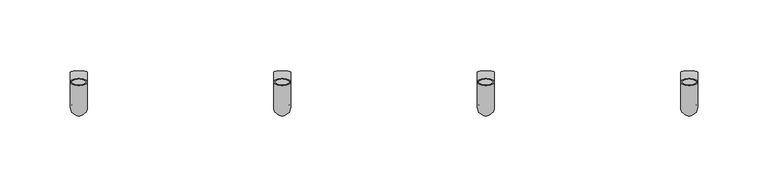
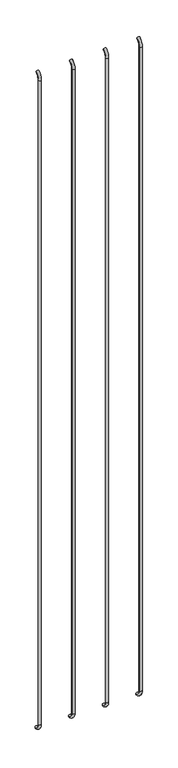
"""IFC4 building model written with IfcOpenShell, lengths in millimetres: beam geometry."""

from ifc_helpers import new_model, si_unit, point, frame, origin, place, context, project, spatial, polyline, circle_curve, ellipse_curve, trimmed, source, transform, mapped, element, save
from ifc_brep_helpers import plane_surface, cylinder_surface, revolved_surface, advanced_brep


def beam_ce332a73(model_context):
    return source(origin(), model_context, "Body", "AdvancedBrep", [
        advanced_brep(
        [(1286.6811733, 2382.8165412, 2977.1908893), (1274.6811733, 2382.8165412, 2977.1908893), (1285.6811733, 2382.8165412, 2977.1908893), (1275.6811733, 2382.8165412, 2977.1908893), (1285.6811733, 2364.7399243, 2949.6621238), (1275.6811733, 2364.7399243, 2949.6621238), (1286.6811733, 2364.7399243, 2949.6621238), (1274.6811733, 2364.7399243, 2949.6621238), (1275.6811733, 2364.7399243, 30.7084898), (1285.6811733, 2364.7399243, 30.7084898), (1274.6811733, 2364.7399243, 30.7084898), (1286.6811733, 2364.7399243, 30.7084898), (1286.6811733, 2390.3595004, 1.0300146), (1274.6811733, 2390.3595004, 1.0300146), (1285.6811733, 2390.3595004, 1.0300146), (1275.6811733, 2390.3595004, 1.0300146)],
        [
            (0, 1, circle_curve(frame((1280.6811733, 2382.8165412, 2977.1908893), z_axis=(0.0, 0.9176255197351176, 0.3974461039321624), x_axis=(-1.0, 0.0, 0.0)), 6.0)),
            (1, 0, circle_curve(frame((1280.6811733, 2382.8165412, 2977.1908893), z_axis=(0.0, 0.9176255197351176, 0.3974461039321624), x_axis=(-1.0, 0.0, 0.0)), 6.0)),
            (2, 3, circle_curve(frame((1280.6811733, 2382.8165412, 2977.1908893), z_axis=(0.0, -0.9176255197351176, -0.3974461039321624), x_axis=(-1.0, 0.0, 0.0)), 5.0)),
            (3, 2, circle_curve(frame((1280.6811733, 2382.8165412, 2977.1908893), z_axis=(0.0, -0.9176255197351176, -0.3974461039321624), x_axis=(-1.0, 0.0, 0.0)), 5.0)),
            (4, 2, circle_curve(frame((1285.6811733, 2394.7399243, 2949.6621238), z_axis=(-1.0, 0.0, 0.0), x_axis=(0.0, -0.3974461039321624, 0.9176255197351176)), 30.0)),
            (3, 5, circle_curve(frame((1275.6811733, 2394.7399243, 2949.6621238), z_axis=(1.0, 0.0, 0.0), x_axis=(0.0, -0.3974461039321624, 0.9176255197351176)), 30.0)),
            (5, 4, circle_curve(frame((1280.6811733, 2364.7399243, 2949.6621238), z_axis=(0.0, 0.0, -1.0), x_axis=(-1.0, 0.0, 0.0)), 5.0)),
            (4, 5, circle_curve(frame((1280.6811733, 2364.7399243, 2949.6621238), z_axis=(0.0, 0.0, -1.0), x_axis=(-1.0, 0.0, 0.0)), 5.0)),
            (6, 0, circle_curve(frame((1286.6811733, 2394.7399243, 2949.6621238), z_axis=(-1.0, 0.0, 0.0), x_axis=(0.0, -0.3974461039321624, 0.9176255197351176)), 30.0)),
            (1, 7, circle_curve(frame((1274.6811733, 2394.7399243, 2949.6621238), z_axis=(1.0, 0.0, 0.0), x_axis=(0.0, -0.3974461039321624, 0.9176255197351176)), 30.0)),
            (7, 6, circle_curve(frame((1280.6811733, 2364.7399243, 2949.6621238), z_axis=(0.0, 0.0, 1.0), x_axis=(-1.0, 0.0, 0.0)), 6.0)),
            (6, 7, circle_curve(frame((1280.6811733, 2364.7399243, 2949.6621238), z_axis=(0.0, 0.0, 1.0), x_axis=(-1.0, 0.0, 0.0)), 6.0)),
            (5, 8),
            (8, 9, circle_curve(frame((1280.6811733, 2364.7399243, 30.7084898), z_axis=(0.0, 0.0, -1.0), x_axis=(-1.0, 0.0, 0.0)), 5.0)),
            (9, 4),
            (9, 8, circle_curve(frame((1280.6811733, 2364.7399243, 30.7084898), z_axis=(0.0, 0.0, -1.0), x_axis=(-1.0, 0.0, 0.0)), 5.0)),
            (7, 10),
            (10, 11, circle_curve(frame((1280.6811733, 2364.7399243, 30.7084898), z_axis=(0.0, 0.0, 1.0), x_axis=(-1.0, 0.0, 0.0)), 6.0)),
            (11, 6),
            (11, 10, circle_curve(frame((1280.6811733, 2364.7399243, 30.7084898), z_axis=(0.0, 0.0, 1.0), x_axis=(-1.0, 0.0, 0.0)), 6.0)),
            (12, 13, circle_curve(frame((1280.6811733, 2390.3595004, 1.0300146), z_axis=(0.0, 0.9892825047438852, -0.14601412879466397), x_axis=(-1.0, 0.0, 0.0)), 6.0)),
            (13, 12, circle_curve(frame((1280.6811733, 2390.3595004, 1.0300146), z_axis=(0.0, 0.9892825047438852, -0.14601412879466397), x_axis=(-1.0, 0.0, 0.0)), 6.0)),
            (14, 15, circle_curve(frame((1280.6811733, 2390.3595004, 1.0300146), z_axis=(0.0, -0.9892825047438852, 0.14601412879466397), x_axis=(-1.0, 0.0, 0.0)), 5.0)),
            (15, 14, circle_curve(frame((1280.6811733, 2390.3595004, 1.0300146), z_axis=(0.0, -0.9892825047438852, 0.14601412879466397), x_axis=(-1.0, 0.0, 0.0)), 5.0)),
            (14, 9, circle_curve(frame((1285.6811733, 2394.7399243, 30.7084898), z_axis=(-1.0, 0.0, 0.0), x_axis=(0.0, -1.0, 0.0)), 30.0)),
            (8, 15, circle_curve(frame((1275.6811733, 2394.7399243, 30.7084898), z_axis=(1.0, 0.0, 0.0), x_axis=(0.0, -1.0, 0.0)), 30.0)),
            (12, 11, circle_curve(frame((1286.6811733, 2394.7399243, 30.7084898), z_axis=(-1.0, 0.0, 0.0), x_axis=(0.0, -1.0, 0.0)), 30.0)),
            (10, 13, circle_curve(frame((1274.6811733, 2394.7399243, 30.7084898), z_axis=(1.0, 0.0, 0.0), x_axis=(0.0, -1.0, 0.0)), 30.0)),
        ],
        [
            plane_surface(frame((1280.6811733, 2382.8165412, 2977.1908893), z_axis=(0.0, 0.9176255197351176, 0.3974461039321624), x_axis=(-1.0, 0.0, 0.0))),
            revolved_surface(trimmed(ellipse_curve(frame((1280.6811733, 2382.8165412, 2977.1908893), z_axis=(0.0, -0.9176255197351176, -0.3974461039321624), x_axis=(-1.0, 0.0, 0.0)), 5.0, 5.0), [point((1275.6811733, 2382.8165412, 2977.1908893))], [point((1285.6811733, 2382.8165412, 2977.1908893))], True, "CARTESIAN"), (1280.6811733, 2394.7399243, 2949.6621238), (1.0, 0.0, 0.0)),
            revolved_surface(trimmed(ellipse_curve(frame((1280.6811733, 2382.8165412, 2977.1908893), z_axis=(0.0, -0.9176255197351176, -0.3974461039321624), x_axis=(-1.0, 0.0, 0.0)), 5.0, 5.0), [point((1285.6811733, 2382.8165412, 2977.1908893))], [point((1275.6811733, 2382.8165412, 2977.1908893))], True, "CARTESIAN"), (1280.6811733, 2394.7399243, 2949.6621238), (1.0, 0.0, 0.0)),
            revolved_surface(trimmed(ellipse_curve(frame((1280.6811733, 2382.8165412, 2977.1908893), z_axis=(0.0, 0.9176255197351176, 0.3974461039321624), x_axis=(-1.0, 0.0, 0.0)), 6.0, 6.0), [point((1274.6811733, 2382.8165412, 2977.1908893))], [point((1286.6811733, 2382.8165412, 2977.1908893))], True, "CARTESIAN"), (1280.6811733, 2394.7399243, 2949.6621238), (1.0, 0.0, 0.0)),
            revolved_surface(trimmed(ellipse_curve(frame((1280.6811733, 2382.8165412, 2977.1908893), z_axis=(0.0, 0.9176255197351176, 0.3974461039321624), x_axis=(-1.0, 0.0, 0.0)), 6.0, 6.0), [point((1286.6811733, 2382.8165412, 2977.1908893))], [point((1274.6811733, 2382.8165412, 2977.1908893))], True, "CARTESIAN"), (1280.6811733, 2394.7399243, 2949.6621238), (1.0, 0.0, 0.0)),
            revolved_surface(polyline([(1275.6811733, 2364.7399243, 30.708489799999825), (1275.6811733, 2364.7399243, 2949.6621238)]), (1280.6811733, 2364.7399243, 2949.6621238), (0.0, 0.0, -1.0)),
            cylinder_surface(frame((1280.6811733, 2364.7399243, 2949.6621238), z_axis=(0.0, 0.0, 1.0), x_axis=(-1.0, 0.0, 0.0)), 6.0),
            plane_surface(frame((1280.6811733, 2390.3595004, 1.0300146), z_axis=(0.0, 0.9892825047438852, -0.14601412879466397), x_axis=(-1.0, 0.0, 0.0))),
            revolved_surface(trimmed(ellipse_curve(frame((1280.6811733, 2364.7399243, 30.7084898), z_axis=(0.0, 0.0, -1.0), x_axis=(-1.0, 0.0, 0.0)), 5.0, 5.0), [point((1275.6811733, 2364.7399243, 30.7084898))], [point((1285.6811733, 2364.7399243, 30.7084898))], True, "CARTESIAN"), (1280.6811733, 2394.7399243, 30.7084898), (1.0, 0.0, 0.0)),
            revolved_surface(trimmed(ellipse_curve(frame((1280.6811733, 2364.7399243, 30.7084898), z_axis=(0.0, 0.0, -1.0), x_axis=(-1.0, 0.0, 0.0)), 5.0, 5.0), [point((1285.6811733, 2364.7399243, 30.7084898))], [point((1275.6811733, 2364.7399243, 30.7084898))], True, "CARTESIAN"), (1280.6811733, 2394.7399243, 30.7084898), (1.0, 0.0, 0.0)),
            revolved_surface(trimmed(ellipse_curve(frame((1280.6811733, 2364.7399243, 30.7084898), z_axis=(0.0, 0.0, 1.0), x_axis=(-1.0, 0.0, 0.0)), 6.0, 6.0), [point((1274.6811733, 2364.7399243, 30.7084898))], [point((1286.6811733, 2364.7399243, 30.7084898))], True, "CARTESIAN"), (1280.6811733, 2394.7399243, 30.7084898), (1.0, 0.0, 0.0)),
            revolved_surface(trimmed(ellipse_curve(frame((1280.6811733, 2364.7399243, 30.7084898), z_axis=(0.0, 0.0, 1.0), x_axis=(-1.0, 0.0, 0.0)), 6.0, 6.0), [point((1286.6811733, 2364.7399243, 30.7084898))], [point((1274.6811733, 2364.7399243, 30.7084898))], True, "CARTESIAN"), (1280.6811733, 2394.7399243, 30.7084898), (1.0, 0.0, 0.0)),
        ],
        [
            (0, [[1, 2], [3, 4]]),
            (1, [[5, -4, 6, 7]]),
            (2, [[-6, -3, -5, 8]]),
            (3, [[9, -2, 10, 11]]),
            (4, [[-10, -1, -9, 12]]),
            (5, [[-7, 13, 14, 15]]),
            (5, [[-8, -15, 16, -13]]),
            (6, [[-11, 17, 18, 19]]),
            (6, [[-12, -19, 20, -17]]),
            (7, [[21, 22], [23, 24]]),
            (8, [[25, -14, 26, -23]]),
            (9, [[-26, -16, -25, -24]]),
            (10, [[27, -18, 28, -21]]),
            (11, [[-28, -20, -27, -22]]),
        ],
    ),
        advanced_brep(
        [(1431.2124233, 2382.8165412, 2977.1908893), (1419.2124233, 2382.8165412, 2977.1908893), (1430.2124233, 2382.8165412, 2977.1908893), (1420.2124233, 2382.8165412, 2977.1908893), (1430.2124233, 2364.7399243, 2949.6621238), (1420.2124233, 2364.7399243, 2949.6621238), (1431.2124233, 2364.7399243, 2949.6621238), (1419.2124233, 2364.7399243, 2949.6621238), (1420.2124233, 2364.7399243, 30.7084898), (1430.2124233, 2364.7399243, 30.7084898), (1419.2124233, 2364.7399243, 30.7084898), (1431.2124233, 2364.7399243, 30.7084898), (1431.2124233, 2390.3595004, 1.0300146), (1419.2124233, 2390.3595004, 1.0300146), (1430.2124233, 2390.3595004, 1.0300146), (1420.2124233, 2390.3595004, 1.0300146)],
        [
            (0, 1, circle_curve(frame((1425.2124233, 2382.8165412, 2977.1908893), z_axis=(0.0, 0.9176255197351176, 0.3974461039321624), x_axis=(-1.0, 0.0, 0.0)), 6.0)),
            (1, 0, circle_curve(frame((1425.2124233, 2382.8165412, 2977.1908893), z_axis=(0.0, 0.9176255197351176, 0.3974461039321624), x_axis=(-1.0, 0.0, 0.0)), 6.0)),
            (2, 3, circle_curve(frame((1425.2124233, 2382.8165412, 2977.1908893), z_axis=(0.0, -0.9176255197351176, -0.3974461039321624), x_axis=(-1.0, 0.0, 0.0)), 5.0)),
            (3, 2, circle_curve(frame((1425.2124233, 2382.8165412, 2977.1908893), z_axis=(0.0, -0.9176255197351176, -0.3974461039321624), x_axis=(-1.0, 0.0, 0.0)), 5.0)),
            (4, 2, circle_curve(frame((1430.2124233, 2394.7399243, 2949.6621238), z_axis=(-1.0, 0.0, 0.0), x_axis=(0.0, -0.3974461039321624, 0.9176255197351176)), 30.0)),
            (3, 5, circle_curve(frame((1420.2124233, 2394.7399243, 2949.6621238), z_axis=(1.0, 0.0, 0.0), x_axis=(0.0, -0.3974461039321624, 0.9176255197351176)), 30.0)),
            (5, 4, circle_curve(frame((1425.2124233, 2364.7399243, 2949.6621238), z_axis=(0.0, 0.0, -0.9999999999999999), x_axis=(-1.0, 0.0, 0.0)), 5.0)),
            (4, 5, circle_curve(frame((1425.2124233, 2364.7399243, 2949.6621238), z_axis=(0.0, 0.0, -0.9999999999999999), x_axis=(-1.0, 0.0, 0.0)), 5.0)),
            (6, 0, circle_curve(frame((1431.2124233, 2394.7399243, 2949.6621238), z_axis=(-1.0, 0.0, 0.0), x_axis=(0.0, -0.3974461039321624, 0.9176255197351176)), 30.0)),
            (1, 7, circle_curve(frame((1419.2124233, 2394.7399243, 2949.6621238), z_axis=(1.0, 0.0, 0.0), x_axis=(0.0, -0.3974461039321624, 0.9176255197351176)), 30.0)),
            (7, 6, circle_curve(frame((1425.2124233, 2364.7399243, 2949.6621238), z_axis=(0.0, 0.0, 0.9999999999999999), x_axis=(-1.0, 0.0, 0.0)), 6.0)),
            (6, 7, circle_curve(frame((1425.2124233, 2364.7399243, 2949.6621238), z_axis=(0.0, 0.0, 0.9999999999999999), x_axis=(-1.0, 0.0, 0.0)), 6.0)),
            (5, 8),
            (8, 9, circle_curve(frame((1425.2124233, 2364.7399243, 30.7084898), z_axis=(0.0, 0.0, -1.0), x_axis=(-1.0, 0.0, 0.0)), 5.0)),
            (9, 4),
            (9, 8, circle_curve(frame((1425.2124233, 2364.7399243, 30.7084898), z_axis=(0.0, 0.0, -1.0), x_axis=(-1.0, 0.0, 0.0)), 5.0)),
            (7, 10),
            (10, 11, circle_curve(frame((1425.2124233, 2364.7399243, 30.7084898), z_axis=(0.0, 0.0, 1.0), x_axis=(-1.0, 0.0, 0.0)), 6.0)),
            (11, 6),
            (11, 10, circle_curve(frame((1425.2124233, 2364.7399243, 30.7084898), z_axis=(0.0, 0.0, 1.0), x_axis=(-1.0, 0.0, 0.0)), 6.0)),
            (12, 13, circle_curve(frame((1425.2124233, 2390.3595004, 1.0300146), z_axis=(0.0, 0.9892825047438852, -0.14601412879466397), x_axis=(-1.0, 0.0, 0.0)), 6.0)),
            (13, 12, circle_curve(frame((1425.2124233, 2390.3595004, 1.0300146), z_axis=(0.0, 0.9892825047438852, -0.14601412879466397), x_axis=(-1.0, 0.0, 0.0)), 6.0)),
            (14, 15, circle_curve(frame((1425.2124233, 2390.3595004, 1.0300146), z_axis=(0.0, -0.9892825047438852, 0.14601412879466397), x_axis=(-1.0, 0.0, 0.0)), 5.0)),
            (15, 14, circle_curve(frame((1425.2124233, 2390.3595004, 1.0300146), z_axis=(0.0, -0.9892825047438852, 0.14601412879466397), x_axis=(-1.0, 0.0, 0.0)), 5.0)),
            (14, 9, circle_curve(frame((1430.2124233, 2394.7399243, 30.7084898), z_axis=(-1.0, 0.0, 0.0), x_axis=(0.0, -1.0, 0.0)), 30.0)),
            (8, 15, circle_curve(frame((1420.2124233, 2394.7399243, 30.7084898), z_axis=(1.0, 0.0, 0.0), x_axis=(0.0, -1.0, 0.0)), 30.0)),
            (12, 11, circle_curve(frame((1431.2124233, 2394.7399243, 30.7084898), z_axis=(-1.0, 0.0, 0.0), x_axis=(0.0, -1.0, 0.0)), 30.0)),
            (10, 13, circle_curve(frame((1419.2124233, 2394.7399243, 30.7084898), z_axis=(1.0, 0.0, 0.0), x_axis=(0.0, -1.0, 0.0)), 30.0)),
        ],
        [
            plane_surface(frame((1425.2124233, 2382.8165412, 2977.1908893), z_axis=(0.0, 0.9176255197351176, 0.3974461039321624), x_axis=(-1.0, 0.0, 0.0))),
            revolved_surface(trimmed(ellipse_curve(frame((1425.2124233, 2382.8165412, 2977.1908893), z_axis=(0.0, -0.9176255197351176, -0.3974461039321624), x_axis=(-1.0, 0.0, 0.0)), 5.0, 5.0), [point((1420.2124233, 2382.8165412, 2977.1908893))], [point((1430.2124233, 2382.8165412, 2977.1908893))], True, "CARTESIAN"), (1425.2124233, 2394.7399243, 2949.6621238), (1.0, 0.0, 0.0)),
            revolved_surface(trimmed(ellipse_curve(frame((1425.2124233, 2382.8165412, 2977.1908893), z_axis=(0.0, -0.9176255197351176, -0.3974461039321624), x_axis=(-1.0, 0.0, 0.0)), 5.0, 5.0), [point((1430.2124233, 2382.8165412, 2977.1908893))], [point((1420.2124233, 2382.8165412, 2977.1908893))], True, "CARTESIAN"), (1425.2124233, 2394.7399243, 2949.6621238), (1.0, 0.0, 0.0)),
            revolved_surface(trimmed(ellipse_curve(frame((1425.2124233, 2382.8165412, 2977.1908893), z_axis=(0.0, 0.9176255197351176, 0.3974461039321624), x_axis=(-1.0, 0.0, 0.0)), 6.0, 6.0), [point((1419.2124233, 2382.8165412, 2977.1908893))], [point((1431.2124233, 2382.8165412, 2977.1908893))], True, "CARTESIAN"), (1425.2124233, 2394.7399243, 2949.6621238), (1.0, 0.0, 0.0)),
            revolved_surface(trimmed(ellipse_curve(frame((1425.2124233, 2382.8165412, 2977.1908893), z_axis=(0.0, 0.9176255197351176, 0.3974461039321624), x_axis=(-1.0, 0.0, 0.0)), 6.0, 6.0), [point((1431.2124233, 2382.8165412, 2977.1908893))], [point((1419.2124233, 2382.8165412, 2977.1908893))], True, "CARTESIAN"), (1425.2124233, 2394.7399243, 2949.6621238), (1.0, 0.0, 0.0)),
            revolved_surface(polyline([(1420.2124233, 2364.7399243, 30.708489799999825), (1420.2124233, 2364.7399243, 2949.6621238)]), (1425.2124233, 2364.7399243, 2949.6621238), (0.0, 0.0, -1.0)),
            cylinder_surface(frame((1425.2124233, 2364.7399243, 2949.6621238), z_axis=(0.0, 0.0, 1.0), x_axis=(-1.0, 0.0, 0.0)), 6.0),
            plane_surface(frame((1425.2124233, 2390.3595004, 1.0300146), z_axis=(0.0, 0.9892825047438852, -0.14601412879466397), x_axis=(-1.0, 0.0, 0.0))),
            revolved_surface(trimmed(ellipse_curve(frame((1425.2124233, 2364.7399243, 30.7084898), z_axis=(0.0, 0.0, -1.0), x_axis=(-1.0, 0.0, 0.0)), 5.0, 5.0), [point((1420.2124233, 2364.7399243, 30.7084898))], [point((1430.2124233, 2364.7399243, 30.7084898))], True, "CARTESIAN"), (1425.2124233, 2394.7399243, 30.7084898), (1.0, 0.0, 0.0)),
            revolved_surface(trimmed(ellipse_curve(frame((1425.2124233, 2364.7399243, 30.7084898), z_axis=(0.0, 0.0, -1.0), x_axis=(-1.0, 0.0, 0.0)), 5.0, 5.0), [point((1430.2124233, 2364.7399243, 30.7084898))], [point((1420.2124233, 2364.7399243, 30.7084898))], True, "CARTESIAN"), (1425.2124233, 2394.7399243, 30.7084898), (1.0, 0.0, 0.0)),
            revolved_surface(trimmed(ellipse_curve(frame((1425.2124233, 2364.7399243, 30.7084898), z_axis=(0.0, 0.0, 1.0), x_axis=(-1.0, 0.0, 0.0)), 6.0, 6.0), [point((1419.2124233, 2364.7399243, 30.7084898))], [point((1431.2124233, 2364.7399243, 30.7084898))], True, "CARTESIAN"), (1425.2124233, 2394.7399243, 30.7084898), (1.0, 0.0, 0.0)),
            revolved_surface(trimmed(ellipse_curve(frame((1425.2124233, 2364.7399243, 30.7084898), z_axis=(0.0, 0.0, 1.0), x_axis=(-1.0, 0.0, 0.0)), 6.0, 6.0), [point((1431.2124233, 2364.7399243, 30.7084898))], [point((1419.2124233, 2364.7399243, 30.7084898))], True, "CARTESIAN"), (1425.2124233, 2394.7399243, 30.7084898), (1.0, 0.0, 0.0)),
        ],
        [
            (0, [[1, 2], [3, 4]]),
            (1, [[5, -4, 6, 7]]),
            (2, [[-6, -3, -5, 8]]),
            (3, [[9, -2, 10, 11]]),
            (4, [[-10, -1, -9, 12]]),
            (5, [[-7, 13, 14, 15]]),
            (5, [[-8, -15, 16, -13]]),
            (6, [[-11, 17, 18, 19]]),
            (6, [[-12, -19, 20, -17]]),
            (7, [[21, 22], [23, 24]]),
            (8, [[25, -14, 26, -23]]),
            (9, [[-26, -16, -25, -24]]),
            (10, [[27, -18, 28, -21]]),
            (11, [[-28, -20, -27, -22]]),
        ],
    ),
        advanced_brep(
        [(1720.4311733, 2382.8165412, 2977.1908893), (1708.4311733, 2382.8165412, 2977.1908893), (1719.4311733, 2382.8165412, 2977.1908893), (1709.4311733, 2382.8165412, 2977.1908893), (1719.4311733, 2364.7399243, 2949.6621238), (1709.4311733, 2364.7399243, 2949.6621238), (1720.4311733, 2364.7399243, 2949.6621238), (1708.4311733, 2364.7399243, 2949.6621238), (1709.4311733, 2364.7399243, 30.7084898), (1719.4311733, 2364.7399243, 30.7084898), (1708.4311733, 2364.7399243, 30.7084898), (1720.4311733, 2364.7399243, 30.7084898), (1720.4311733, 2390.3595004, 1.0300146), (1708.4311733, 2390.3595004, 1.0300146), (1719.4311733, 2390.3595004, 1.0300146), (1709.4311733, 2390.3595004, 1.0300146)],
        [
            (0, 1, circle_curve(frame((1714.4311733, 2382.8165412, 2977.1908893), z_axis=(0.0, 0.9176255197351176, 0.3974461039321624), x_axis=(-1.0, 0.0, 0.0)), 6.0)),
            (1, 0, circle_curve(frame((1714.4311733, 2382.8165412, 2977.1908893), z_axis=(0.0, 0.9176255197351176, 0.3974461039321624), x_axis=(-1.0, 0.0, 0.0)), 6.0)),
            (2, 3, circle_curve(frame((1714.4311733, 2382.8165412, 2977.1908893), z_axis=(0.0, -0.9176255197351176, -0.3974461039321624), x_axis=(-1.0, 0.0, 0.0)), 5.0)),
            (3, 2, circle_curve(frame((1714.4311733, 2382.8165412, 2977.1908893), z_axis=(0.0, -0.9176255197351176, -0.3974461039321624), x_axis=(-1.0, 0.0, 0.0)), 5.0)),
            (4, 2, circle_curve(frame((1719.4311733, 2394.7399243, 2949.6621238), z_axis=(-1.0, 0.0, 0.0), x_axis=(0.0, -0.3974461039321624, 0.9176255197351176)), 30.0)),
            (3, 5, circle_curve(frame((1709.4311733, 2394.7399243, 2949.6621238), z_axis=(1.0, 0.0, 0.0), x_axis=(0.0, -0.3974461039321624, 0.9176255197351176)), 30.0)),
            (5, 4, circle_curve(frame((1714.4311733, 2364.7399243, 2949.6621238), z_axis=(0.0, 0.0, -1.0), x_axis=(-1.0, 0.0, 0.0)), 5.0)),
            (4, 5, circle_curve(frame((1714.4311733, 2364.7399243, 2949.6621238), z_axis=(0.0, 0.0, -1.0), x_axis=(-1.0, 0.0, 0.0)), 5.0)),
            (6, 0, circle_curve(frame((1720.4311733, 2394.7399243, 2949.6621238), z_axis=(-1.0, 0.0, 0.0), x_axis=(0.0, -0.3974461039321624, 0.9176255197351176)), 30.0)),
            (1, 7, circle_curve(frame((1708.4311733, 2394.7399243, 2949.6621238), z_axis=(1.0, 0.0, 0.0), x_axis=(0.0, -0.3974461039321624, 0.9176255197351176)), 30.0)),
            (7, 6, circle_curve(frame((1714.4311733, 2364.7399243, 2949.6621238), z_axis=(0.0, 0.0, 1.0), x_axis=(-1.0, 0.0, 0.0)), 6.0)),
            (6, 7, circle_curve(frame((1714.4311733, 2364.7399243, 2949.6621238), z_axis=(0.0, 0.0, 1.0), x_axis=(-1.0, 0.0, 0.0)), 6.0)),
            (5, 8),
            (8, 9, circle_curve(frame((1714.4311733, 2364.7399243, 30.7084898), z_axis=(0.0, 0.0, -1.0), x_axis=(-1.0, 0.0, 0.0)), 5.0)),
            (9, 4),
            (9, 8, circle_curve(frame((1714.4311733, 2364.7399243, 30.7084898), z_axis=(0.0, 0.0, -1.0), x_axis=(-1.0, 0.0, 0.0)), 5.0)),
            (7, 10),
            (10, 11, circle_curve(frame((1714.4311733, 2364.7399243, 30.7084898), z_axis=(0.0, 0.0, 1.0), x_axis=(-1.0, 0.0, 0.0)), 6.0)),
            (11, 6),
            (11, 10, circle_curve(frame((1714.4311733, 2364.7399243, 30.7084898), z_axis=(0.0, 0.0, 1.0), x_axis=(-1.0, 0.0, 0.0)), 6.0)),
            (12, 13, circle_curve(frame((1714.4311733, 2390.3595004, 1.0300146), z_axis=(0.0, 0.9892825047438852, -0.14601412879466397), x_axis=(-1.0, 0.0, 0.0)), 6.0)),
            (13, 12, circle_curve(frame((1714.4311733, 2390.3595004, 1.0300146), z_axis=(0.0, 0.9892825047438852, -0.14601412879466397), x_axis=(-1.0, 0.0, 0.0)), 6.0)),
            (14, 15, circle_curve(frame((1714.4311733, 2390.3595004, 1.0300146), z_axis=(0.0, -0.9892825047438852, 0.14601412879466397), x_axis=(-1.0, 0.0, 0.0)), 5.0)),
            (15, 14, circle_curve(frame((1714.4311733, 2390.3595004, 1.0300146), z_axis=(0.0, -0.9892825047438852, 0.14601412879466397), x_axis=(-1.0, 0.0, 0.0)), 5.0)),
            (14, 9, circle_curve(frame((1719.4311733, 2394.7399243, 30.7084898), z_axis=(-1.0, 0.0, 0.0), x_axis=(0.0, -1.0, 0.0)), 30.0)),
            (8, 15, circle_curve(frame((1709.4311733, 2394.7399243, 30.7084898), z_axis=(1.0, 0.0, 0.0), x_axis=(0.0, -1.0, 0.0)), 30.0)),
            (12, 11, circle_curve(frame((1720.4311733, 2394.7399243, 30.7084898), z_axis=(-1.0, 0.0, 0.0), x_axis=(0.0, -1.0, 0.0)), 30.0)),
            (10, 13, circle_curve(frame((1708.4311733, 2394.7399243, 30.7084898), z_axis=(1.0, 0.0, 0.0), x_axis=(0.0, -1.0, 0.0)), 30.0)),
        ],
        [
            plane_surface(frame((1714.4311733, 2382.8165412, 2977.1908893), z_axis=(0.0, 0.9176255197351176, 0.3974461039321624), x_axis=(-1.0, 0.0, 0.0))),
            revolved_surface(trimmed(ellipse_curve(frame((1714.4311733, 2382.8165412, 2977.1908893), z_axis=(0.0, -0.9176255197351176, -0.3974461039321624), x_axis=(-1.0, 0.0, 0.0)), 5.0, 5.0), [point((1709.4311733, 2382.8165412, 2977.1908893))], [point((1719.4311733, 2382.8165412, 2977.1908893))], True, "CARTESIAN"), (1714.4311733, 2394.7399243, 2949.6621238), (1.0, 0.0, 0.0)),
            revolved_surface(trimmed(ellipse_curve(frame((1714.4311733, 2382.8165412, 2977.1908893), z_axis=(0.0, -0.9176255197351176, -0.3974461039321624), x_axis=(-1.0, 0.0, 0.0)), 5.0, 5.0), [point((1719.4311733, 2382.8165412, 2977.1908893))], [point((1709.4311733, 2382.8165412, 2977.1908893))], True, "CARTESIAN"), (1714.4311733, 2394.7399243, 2949.6621238), (1.0, 0.0, 0.0)),
            revolved_surface(trimmed(ellipse_curve(frame((1714.4311733, 2382.8165412, 2977.1908893), z_axis=(0.0, 0.9176255197351176, 0.3974461039321624), x_axis=(-1.0, 0.0, 0.0)), 6.0, 6.0), [point((1708.4311733, 2382.8165412, 2977.1908893))], [point((1720.4311733, 2382.8165412, 2977.1908893))], True, "CARTESIAN"), (1714.4311733, 2394.7399243, 2949.6621238), (1.0, 0.0, 0.0)),
            revolved_surface(trimmed(ellipse_curve(frame((1714.4311733, 2382.8165412, 2977.1908893), z_axis=(0.0, 0.9176255197351176, 0.3974461039321624), x_axis=(-1.0, 0.0, 0.0)), 6.0, 6.0), [point((1720.4311733, 2382.8165412, 2977.1908893))], [point((1708.4311733, 2382.8165412, 2977.1908893))], True, "CARTESIAN"), (1714.4311733, 2394.7399243, 2949.6621238), (1.0, 0.0, 0.0)),
            revolved_surface(polyline([(1709.4311733, 2364.7399243, 30.708489799999825), (1709.4311733, 2364.7399243, 2949.6621238)]), (1714.4311733, 2364.7399243, 2949.6621238), (0.0, 0.0, -1.0)),
            cylinder_surface(frame((1714.4311733, 2364.7399243, 2949.6621238), z_axis=(0.0, 0.0, 1.0), x_axis=(-1.0, 0.0, 0.0)), 6.0),
            plane_surface(frame((1714.4311733, 2390.3595004, 1.0300146), z_axis=(0.0, 0.9892825047438852, -0.14601412879466397), x_axis=(-1.0, 0.0, 0.0))),
            revolved_surface(trimmed(ellipse_curve(frame((1714.4311733, 2364.7399243, 30.7084898), z_axis=(0.0, 0.0, -1.0), x_axis=(-1.0, 0.0, 0.0)), 5.0, 5.0), [point((1709.4311733, 2364.7399243, 30.7084898))], [point((1719.4311733, 2364.7399243, 30.7084898))], True, "CARTESIAN"), (1714.4311733, 2394.7399243, 30.7084898), (1.0, 0.0, 0.0)),
            revolved_surface(trimmed(ellipse_curve(frame((1714.4311733, 2364.7399243, 30.7084898), z_axis=(0.0, 0.0, -1.0), x_axis=(-1.0, 0.0, 0.0)), 5.0, 5.0), [point((1719.4311733, 2364.7399243, 30.7084898))], [point((1709.4311733, 2364.7399243, 30.7084898))], True, "CARTESIAN"), (1714.4311733, 2394.7399243, 30.7084898), (1.0, 0.0, 0.0)),
            revolved_surface(trimmed(ellipse_curve(frame((1714.4311733, 2364.7399243, 30.7084898), z_axis=(0.0, 0.0, 1.0), x_axis=(-1.0, 0.0, 0.0)), 6.0, 6.0), [point((1708.4311733, 2364.7399243, 30.7084898))], [point((1720.4311733, 2364.7399243, 30.7084898))], True, "CARTESIAN"), (1714.4311733, 2394.7399243, 30.7084898), (1.0, 0.0, 0.0)),
            revolved_surface(trimmed(ellipse_curve(frame((1714.4311733, 2364.7399243, 30.7084898), z_axis=(0.0, 0.0, 1.0), x_axis=(-1.0, 0.0, 0.0)), 6.0, 6.0), [point((1720.4311733, 2364.7399243, 30.7084898))], [point((1708.4311733, 2364.7399243, 30.7084898))], True, "CARTESIAN"), (1714.4311733, 2394.7399243, 30.7084898), (1.0, 0.0, 0.0)),
        ],
        [
            (0, [[1, 2], [3, 4]]),
            (1, [[5, -4, 6, 7]]),
            (2, [[-6, -3, -5, 8]]),
            (3, [[9, -2, 10, 11]]),
            (4, [[-10, -1, -9, 12]]),
            (5, [[-7, 13, 14, 15]]),
            (5, [[-8, -15, 16, -13]]),
            (6, [[-11, 17, 18, 19]]),
            (6, [[-12, -19, 20, -17]]),
            (7, [[21, 22], [23, 24]]),
            (8, [[25, -14, 26, -23]]),
            (9, [[-26, -16, -25, -24]]),
            (10, [[27, -18, 28, -21]]),
            (11, [[-28, -20, -27, -22]]),
        ],
    ),
        advanced_brep(
        [(1575.8999233, 2382.8165412, 2977.1908893), (1563.8999233, 2382.8165412, 2977.1908893), (1574.8999233, 2382.8165412, 2977.1908893), (1564.8999233, 2382.8165412, 2977.1908893), (1574.8999233, 2364.7399243, 2949.6621238), (1564.8999233, 2364.7399243, 2949.6621238), (1575.8999233, 2364.7399243, 2949.6621238), (1563.8999233, 2364.7399243, 2949.6621238), (1564.8999233, 2364.7399243, 30.7084898), (1574.8999233, 2364.7399243, 30.7084898), (1563.8999233, 2364.7399243, 30.7084898), (1575.8999233, 2364.7399243, 30.7084898), (1575.8999233, 2390.3595004, 1.0300146), (1563.8999233, 2390.3595004, 1.0300146), (1574.8999233, 2390.3595004, 1.0300146), (1564.8999233, 2390.3595004, 1.0300146)],
        [
            (0, 1, circle_curve(frame((1569.8999233, 2382.8165412, 2977.1908893), z_axis=(0.0, 0.9176255197351176, 0.3974461039321624), x_axis=(-1.0, 0.0, 0.0)), 6.0)),
            (1, 0, circle_curve(frame((1569.8999233, 2382.8165412, 2977.1908893), z_axis=(0.0, 0.9176255197351176, 0.3974461039321624), x_axis=(-1.0, 0.0, 0.0)), 6.0)),
            (2, 3, circle_curve(frame((1569.8999233, 2382.8165412, 2977.1908893), z_axis=(0.0, -0.9176255197351176, -0.3974461039321624), x_axis=(-1.0, 0.0, 0.0)), 5.0)),
            (3, 2, circle_curve(frame((1569.8999233, 2382.8165412, 2977.1908893), z_axis=(0.0, -0.9176255197351176, -0.3974461039321624), x_axis=(-1.0, 0.0, 0.0)), 5.0)),
            (4, 2, circle_curve(frame((1574.8999233, 2394.7399243, 2949.6621238), z_axis=(-1.0, 0.0, 0.0), x_axis=(0.0, -0.3974461039321624, 0.9176255197351176)), 30.0)),
            (3, 5, circle_curve(frame((1564.8999233, 2394.7399243, 2949.6621238), z_axis=(1.0, 0.0, 0.0), x_axis=(0.0, -0.3974461039321624, 0.9176255197351176)), 30.0)),
            (5, 4, circle_curve(frame((1569.8999233, 2364.7399243, 2949.6621238), z_axis=(0.0, 0.0, -1.0), x_axis=(-1.0, 0.0, 0.0)), 5.0)),
            (4, 5, circle_curve(frame((1569.8999233, 2364.7399243, 2949.6621238), z_axis=(0.0, 0.0, -1.0), x_axis=(-1.0, 0.0, 0.0)), 5.0)),
            (6, 0, circle_curve(frame((1575.8999233, 2394.7399243, 2949.6621238), z_axis=(-1.0, 0.0, 0.0), x_axis=(0.0, -0.3974461039321624, 0.9176255197351176)), 30.0)),
            (1, 7, circle_curve(frame((1563.8999233, 2394.7399243, 2949.6621238), z_axis=(1.0, 0.0, 0.0), x_axis=(0.0, -0.3974461039321624, 0.9176255197351176)), 30.0)),
            (7, 6, circle_curve(frame((1569.8999233, 2364.7399243, 2949.6621238), z_axis=(0.0, 0.0, 1.0), x_axis=(-1.0, 0.0, 0.0)), 6.0)),
            (6, 7, circle_curve(frame((1569.8999233, 2364.7399243, 2949.6621238), z_axis=(0.0, 0.0, 1.0), x_axis=(-1.0, 0.0, 0.0)), 6.0)),
            (5, 8),
            (8, 9, circle_curve(frame((1569.8999233, 2364.7399243, 30.7084898), z_axis=(0.0, 0.0, -1.0), x_axis=(-1.0, 0.0, 0.0)), 5.0)),
            (9, 4),
            (9, 8, circle_curve(frame((1569.8999233, 2364.7399243, 30.7084898), z_axis=(0.0, 0.0, -1.0), x_axis=(-1.0, 0.0, 0.0)), 5.0)),
            (7, 10),
            (10, 11, circle_curve(frame((1569.8999233, 2364.7399243, 30.7084898), z_axis=(0.0, 0.0, 1.0), x_axis=(-1.0, 0.0, 0.0)), 6.0)),
            (11, 6),
            (11, 10, circle_curve(frame((1569.8999233, 2364.7399243, 30.7084898), z_axis=(0.0, 0.0, 1.0), x_axis=(-1.0, 0.0, 0.0)), 6.0)),
            (12, 13, circle_curve(frame((1569.8999233, 2390.3595004, 1.0300146), z_axis=(0.0, 0.9892825047438852, -0.14601412879466397), x_axis=(-1.0, 0.0, 0.0)), 6.0)),
            (13, 12, circle_curve(frame((1569.8999233, 2390.3595004, 1.0300146), z_axis=(0.0, 0.9892825047438852, -0.14601412879466397), x_axis=(-1.0, 0.0, 0.0)), 6.0)),
            (14, 15, circle_curve(frame((1569.8999233, 2390.3595004, 1.0300146), z_axis=(0.0, -0.9892825047438852, 0.14601412879466397), x_axis=(-1.0, 0.0, 0.0)), 5.0)),
            (15, 14, circle_curve(frame((1569.8999233, 2390.3595004, 1.0300146), z_axis=(0.0, -0.9892825047438852, 0.14601412879466397), x_axis=(-1.0, 0.0, 0.0)), 5.0)),
            (14, 9, circle_curve(frame((1574.8999233, 2394.7399243, 30.7084898), z_axis=(-1.0, 0.0, 0.0), x_axis=(0.0, -1.0, 0.0)), 30.0)),
            (8, 15, circle_curve(frame((1564.8999233, 2394.7399243, 30.7084898), z_axis=(1.0, 0.0, 0.0), x_axis=(0.0, -1.0, 0.0)), 30.0)),
            (12, 11, circle_curve(frame((1575.8999233, 2394.7399243, 30.7084898), z_axis=(-1.0, 0.0, 0.0), x_axis=(0.0, -1.0, 0.0)), 30.0)),
            (10, 13, circle_curve(frame((1563.8999233, 2394.7399243, 30.7084898), z_axis=(1.0, 0.0, 0.0), x_axis=(0.0, -1.0, 0.0)), 30.0)),
        ],
        [
            plane_surface(frame((1569.8999233, 2382.8165412, 2977.1908893), z_axis=(0.0, 0.9176255197351176, 0.3974461039321624), x_axis=(-1.0, 0.0, 0.0))),
            revolved_surface(trimmed(ellipse_curve(frame((1569.8999233, 2382.8165412, 2977.1908893), z_axis=(0.0, -0.9176255197351176, -0.3974461039321624), x_axis=(-1.0, 0.0, 0.0)), 5.0, 5.0), [point((1564.8999233, 2382.8165412, 2977.1908893))], [point((1574.8999233, 2382.8165412, 2977.1908893))], True, "CARTESIAN"), (1569.8999233, 2394.7399243, 2949.6621238), (1.0, 0.0, 0.0)),
            revolved_surface(trimmed(ellipse_curve(frame((1569.8999233, 2382.8165412, 2977.1908893), z_axis=(0.0, -0.9176255197351176, -0.3974461039321624), x_axis=(-1.0, 0.0, 0.0)), 5.0, 5.0), [point((1574.8999233, 2382.8165412, 2977.1908893))], [point((1564.8999233, 2382.8165412, 2977.1908893))], True, "CARTESIAN"), (1569.8999233, 2394.7399243, 2949.6621238), (1.0, 0.0, 0.0)),
            revolved_surface(trimmed(ellipse_curve(frame((1569.8999233, 2382.8165412, 2977.1908893), z_axis=(0.0, 0.9176255197351176, 0.3974461039321624), x_axis=(-1.0, 0.0, 0.0)), 6.0, 6.0), [point((1563.8999233, 2382.8165412, 2977.1908893))], [point((1575.8999233, 2382.8165412, 2977.1908893))], True, "CARTESIAN"), (1569.8999233, 2394.7399243, 2949.6621238), (1.0, 0.0, 0.0)),
            revolved_surface(trimmed(ellipse_curve(frame((1569.8999233, 2382.8165412, 2977.1908893), z_axis=(0.0, 0.9176255197351176, 0.3974461039321624), x_axis=(-1.0, 0.0, 0.0)), 6.0, 6.0), [point((1575.8999233, 2382.8165412, 2977.1908893))], [point((1563.8999233, 2382.8165412, 2977.1908893))], True, "CARTESIAN"), (1569.8999233, 2394.7399243, 2949.6621238), (1.0, 0.0, 0.0)),
            revolved_surface(polyline([(1564.8999233, 2364.7399243, 30.708489799999825), (1564.8999233, 2364.7399243, 2949.6621238)]), (1569.8999233, 2364.7399243, 2949.6621238), (0.0, 0.0, -1.0)),
            cylinder_surface(frame((1569.8999233, 2364.7399243, 2949.6621238), z_axis=(0.0, 0.0, 1.0), x_axis=(-1.0, 0.0, 0.0)), 6.0),
            plane_surface(frame((1569.8999233, 2390.3595004, 1.0300146), z_axis=(0.0, 0.9892825047438852, -0.14601412879466397), x_axis=(-1.0, 0.0, 0.0))),
            revolved_surface(trimmed(ellipse_curve(frame((1569.8999233, 2364.7399243, 30.7084898), z_axis=(0.0, 0.0, -1.0), x_axis=(-1.0, 0.0, 0.0)), 5.0, 5.0), [point((1564.8999233, 2364.7399243, 30.7084898))], [point((1574.8999233, 2364.7399243, 30.7084898))], True, "CARTESIAN"), (1569.8999233, 2394.7399243, 30.7084898), (1.0, 0.0, 0.0)),
            revolved_surface(trimmed(ellipse_curve(frame((1569.8999233, 2364.7399243, 30.7084898), z_axis=(0.0, 0.0, -1.0), x_axis=(-1.0, 0.0, 0.0)), 5.0, 5.0), [point((1574.8999233, 2364.7399243, 30.7084898))], [point((1564.8999233, 2364.7399243, 30.7084898))], True, "CARTESIAN"), (1569.8999233, 2394.7399243, 30.7084898), (1.0, 0.0, 0.0)),
            revolved_surface(trimmed(ellipse_curve(frame((1569.8999233, 2364.7399243, 30.7084898), z_axis=(0.0, 0.0, 1.0), x_axis=(-1.0, 0.0, 0.0)), 6.0, 6.0), [point((1563.8999233, 2364.7399243, 30.7084898))], [point((1575.8999233, 2364.7399243, 30.7084898))], True, "CARTESIAN"), (1569.8999233, 2394.7399243, 30.7084898), (1.0, 0.0, 0.0)),
            revolved_surface(trimmed(ellipse_curve(frame((1569.8999233, 2364.7399243, 30.7084898), z_axis=(0.0, 0.0, 1.0), x_axis=(-1.0, 0.0, 0.0)), 6.0, 6.0), [point((1575.8999233, 2364.7399243, 30.7084898))], [point((1563.8999233, 2364.7399243, 30.7084898))], True, "CARTESIAN"), (1569.8999233, 2394.7399243, 30.7084898), (1.0, 0.0, 0.0)),
        ],
        [
            (0, [[1, 2], [3, 4]]),
            (1, [[5, -4, 6, 7]]),
            (2, [[-6, -3, -5, 8]]),
            (3, [[9, -2, 10, 11]]),
            (4, [[-10, -1, -9, 12]]),
            (5, [[-7, 13, 14, 15]]),
            (5, [[-8, -15, 16, -13]]),
            (6, [[-11, 17, 18, 19]]),
            (6, [[-12, -19, 20, -17]]),
            (7, [[21, 22], [23, 24]]),
            (8, [[25, -14, 26, -23]]),
            (9, [[-26, -16, -25, -24]]),
            (10, [[27, -18, 28, -21]]),
            (11, [[-28, -20, -27, -22]]),
        ],
    ),
    ])


if __name__ == "__main__":
    model = new_model("IFC4")
    model_context = context("Model", 3, world=origin())
    ifc_project = project(units=[si_unit("LENGTHUNIT", "METRE", prefix="MILLI")], contexts=[model_context])
    site = spatial("IfcSite", under=ifc_project)
    building = spatial("IfcBuilding", under=site)
    placement = place(None, origin())
    beam_shape = beam_ce332a73(model_context)
    element("IfcBeam", 1, at=placement, inside=building, context=model_context, shape_type="MappedRepresentation", body=[
        mapped(beam_shape, transform((0.0, 0.0, 0.0), x_axis=(1.0, 0.0, 0.0), y_axis=(0.0, 1.0, 0.0), z_axis=(0.0, 0.0, 1.0))),
    ])
    save(model, "model.ifc")
